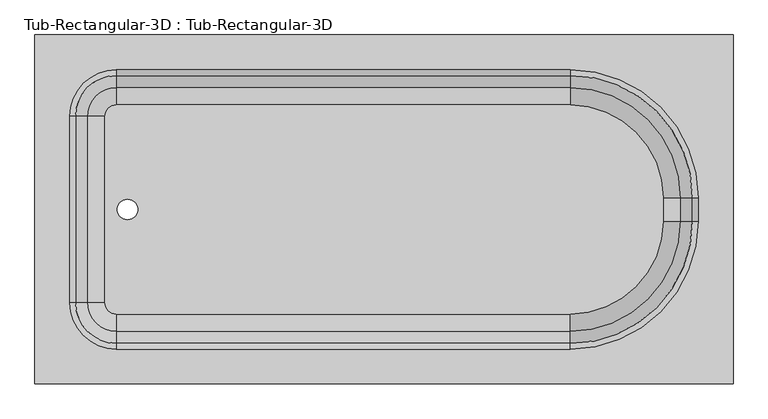
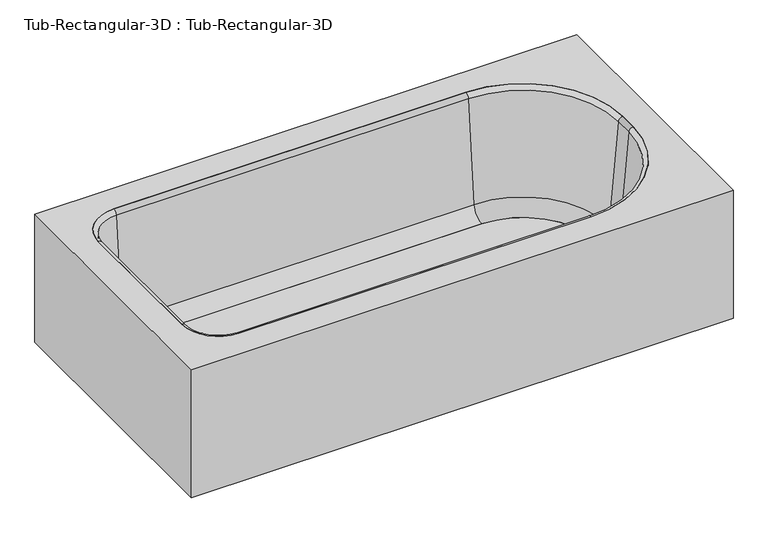
"""IFC4 building model written with IfcOpenShell, lengths in millimetres: flow terminal geometry, Tub-Rectangular-3D : Tub-Rectangular-3D."""

from ifc_helpers import new_model, si_unit, point, frame, frame_2d, origin, place, context, project, spatial, polyline, circle_curve, ellipse_curve, trimmed, segment, composite_curve, outline, extrude, source, transform, mapped, element, save
from ifc_brep_helpers import plane_surface, cylinder_surface, revolved_surface, advanced_brep


def tub_rectangular_3d_tub_rectangular_3d_7cde22e7(model_context):
    return source(origin(), model_context, "Body", "SolidModel", [
        advanced_brep(
        [(413.3970313, -823.9125, 381.0), (413.3970313, -61.9125, 381.0), (-1110.6029687, -61.9125, 381.0), (-1110.6029687, -823.9125, 381.0), (-932.8029687, -747.7125, 381.0), (-1034.4029687, -646.1125, 381.0), (-1034.4029687, -239.7125, 381.0), (-932.8029687, -138.1125, 381.0), (57.7970313, -138.1125, 381.0), (337.1970313, -417.5125, 381.0), (337.1970313, -468.3125, 381.0), (57.7970313, -747.7125, 381.0), (394.3470313, -804.8625, 361.95), (-1091.5529687, -804.8625, 361.95), (-1091.5529687, -80.9625, 361.95), (394.3470313, -80.9625, 361.95), (-932.8029687, -747.7125, 361.95), (57.7970313, -747.7125, 361.95), (337.1970313, -468.3125, 361.95), (337.1970313, -417.5125, 361.95), (57.7970313, -138.1125, 361.95), (-932.8029687, -138.1125, 361.95), (-1034.4029687, -239.7125, 361.95), (-1034.4029687, -646.1125, 361.95), (-1110.6029687, -823.9125, 0.0), (413.3970313, -823.9125, 0.0), (-1110.6029687, -61.9125, 0.0), (413.3970313, -61.9125, 0.0), (394.3470313, -804.8625, 0.0), (394.3470313, -80.9625, 0.0), (-1091.5529687, -80.9625, 0.0), (-1091.5529687, -804.8625, 0.0)],
        [
            (0, 1),
            (1, 2),
            (2, 3),
            (3, 0),
            (4, 5, circle_curve(frame((-932.8029687, -646.1125, 381.0), z_axis=(0.0, 0.0, -1.0), x_axis=(0.0, -1.0, 0.0)), 101.6)),
            (5, 6),
            (6, 7, circle_curve(frame((-932.8029687, -239.7125, 381.0), z_axis=(0.0, 0.0, -1.0), x_axis=(0.0, -1.0, 0.0)), 101.6)),
            (7, 8),
            (8, 9, circle_curve(frame((57.7970313, -417.5125, 381.0), z_axis=(0.0, 0.0, -1.0), x_axis=(0.0, -1.0, 0.0)), 279.4)),
            (9, 10),
            (10, 11, circle_curve(frame((57.7970313, -468.3125, 381.0), z_axis=(0.0, 0.0, -1.0), x_axis=(0.0, -1.0, 0.0)), 279.4)),
            (11, 4),
            (12, 13),
            (13, 14),
            (14, 15),
            (15, 12),
            (16, 17),
            (17, 18, circle_curve(frame((57.7970313, -468.3125, 361.95), z_axis=(0.0, 0.0, 1.0), x_axis=(0.0, -1.0, 0.0)), 279.4)),
            (18, 19),
            (19, 20, circle_curve(frame((57.7970313, -417.5125, 361.95), z_axis=(0.0, 0.0, 1.0), x_axis=(0.0, -1.0, 0.0)), 279.4)),
            (20, 21),
            (21, 22, circle_curve(frame((-932.8029687, -239.7125, 361.95), z_axis=(0.0, 0.0, 1.0), x_axis=(0.0, -1.0, 0.0)), 101.6)),
            (22, 23),
            (23, 16, circle_curve(frame((-932.8029687, -646.1125, 361.95), z_axis=(0.0, 0.0, 1.0), x_axis=(0.0, -1.0, 0.0)), 101.6)),
            (3, 24),
            (24, 25),
            (25, 0),
            (2, 26),
            (26, 24),
            (1, 27),
            (27, 26),
            (25, 27),
            (11, 17),
            (16, 4),
            (10, 18),
            (9, 19),
            (8, 20),
            (7, 21),
            (6, 22),
            (5, 23),
            (28, 29),
            (29, 30),
            (30, 31),
            (31, 28),
            (28, 12),
            (15, 29),
            (14, 30),
            (13, 31),
        ],
        [
            plane_surface(frame((-1110.6029687, -823.9125, 381.0), z_axis=(0.0, 0.0, 1.0), x_axis=(-1.0, 0.0, 0.0))),
            plane_surface(frame((-1110.6029687, -823.9125, 361.95), z_axis=(0.0, 0.0, -1.0), x_axis=(1.0, 0.0, 0.0))),
            plane_surface(frame((413.3970313, -823.9125, 381.0), z_axis=(0.0, -1.0, 0.0), x_axis=(0.0, 0.0, -1.0))),
            plane_surface(frame((-1110.6029687, -823.9125, 381.0), z_axis=(-1.0, 0.0, 0.0), x_axis=(0.0, 0.0, -1.0))),
            plane_surface(frame((-1110.6029687, -61.9125, 381.0), z_axis=(0.0, 1.0, 0.0), x_axis=(0.0, 0.0, -1.0))),
            plane_surface(frame((413.3970313, -61.9125, 381.0), z_axis=(1.0, 0.0, 0.0), x_axis=(0.0, 0.0, -1.0))),
            plane_surface(frame((-932.8029687, -747.7125, 381.0), z_axis=(0.0, 1.0, 0.0), x_axis=(0.0, 0.0, -1.0))),
            revolved_surface(polyline([(57.7970313, -747.7125, 361.95), (57.7970313, -747.7125, 381.0)]), (57.7970313, -468.3125, 381.0), (0.0, 0.0, -1.0)),
            plane_surface(frame((337.1970313, -468.3125, 381.0), z_axis=(-1.0, 0.0, 0.0), x_axis=(0.0, 0.0, -1.0))),
            revolved_surface(polyline([(57.7970313, -696.9124999999999, 361.95), (57.7970313, -696.9124999999999, 381.0)]), (57.7970313, -417.5125, 381.0), (0.0, 0.0, -1.0)),
            plane_surface(frame((57.7970313, -138.1125, 381.0), z_axis=(0.0, -1.0, 0.0), x_axis=(0.0, 0.0, -1.0))),
            revolved_surface(polyline([(-932.8029687, -341.3125, 361.95), (-932.8029687, -341.3125, 381.0)]), (-932.8029687, -239.7125, 381.0), (0.0, 0.0, -1.0)),
            plane_surface(frame((-1034.4029687, -239.7125, 381.0), z_axis=(1.0, 0.0, 0.0), x_axis=(0.0, 0.0, -1.0))),
            revolved_surface(polyline([(-932.8029687, -747.7125, 361.95), (-932.8029687, -747.7125, 381.0)]), (-932.8029687, -646.1125, 381.0), (0.0, 0.0, -1.0)),
            plane_surface(frame((-1110.6029687, -823.9125, 0.0), z_axis=(0.0, 0.0, -1.0), x_axis=(1.0, 0.0, 0.0))),
            plane_surface(frame((394.3470313, -804.8625, 361.95), z_axis=(-1.0, 0.0, 0.0), x_axis=(0.0, 0.0, -1.0))),
            plane_surface(frame((394.3470313, -80.9625, 361.95), z_axis=(0.0, -1.0, 0.0), x_axis=(0.0, 0.0, -1.0))),
            plane_surface(frame((-1091.5529687, -80.9625, 361.95), z_axis=(1.0, 0.0, 0.0), x_axis=(0.0, 0.0, -1.0))),
            plane_surface(frame((-1091.5529687, -804.8625, 361.95), z_axis=(0.0, 1.0, 0.0), x_axis=(0.0, 0.0, -1.0))),
        ],
        [
            (0, [[1, 2, 3, 4], [5, 6, 7, 8, 9, 10, 11, 12]]),
            (1, [[13, 14, 15, 16], [17, 18, 19, 20, 21, 22, 23, 24]]),
            (2, [[25, 26, 27, -4]]),
            (3, [[28, 29, -25, -3]]),
            (4, [[30, 31, -28, -2]]),
            (5, [[32, -30, -1, -27]]),
            (6, [[33, -17, 34, -12]]),
            (7, [[35, -18, -33, -11]]),
            (8, [[36, -19, -35, -10]]),
            (9, [[37, -20, -36, -9]]),
            (10, [[38, -21, -37, -8]]),
            (11, [[39, -22, -38, -7]]),
            (12, [[40, -23, -39, -6]]),
            (13, [[-34, -24, -40, -5]]),
            (14, [[-26, -29, -31, -32], [41, 42, 43, 44]]),
            (15, [[45, -16, 46, -41]]),
            (16, [[-46, -15, 47, -42]]),
            (17, [[-47, -14, 48, -43]]),
            (18, [[-48, -13, -45, -44]]),
        ],
    ),
        extrude(outline(composite_curve([segment(polyline([(57.7970313, -671.1089741), (-932.8029687, -671.1089741)]), True, "CONTINUOUS"), segment(trimmed(circle_curve(frame_2d((-932.8029687, -646.1125)), 24.9964741), [point((-932.8029687, -671.1089741))], [point((-957.7994428, -646.1125))], False, "CARTESIAN"), True, "CONTINUOUS"), segment(polyline([(-957.7994428, -646.1125), (-957.7994428, -239.7125)]), True, "CONTINUOUS"), segment(trimmed(circle_curve(frame_2d((-932.8029687, -239.7125)), 24.9964741), [point((-957.7994428, -239.7125))], [point((-932.8029687, -214.7160259))], False, "CARTESIAN"), True, "CONTINUOUS"), segment(polyline([(-932.8029687, -214.7160259), (57.7970313, -214.7160259)]), True, "CONTINUOUS"), segment(trimmed(circle_curve(frame_2d((57.7970313, -417.5125)), 202.7964741), [point((57.7970313, -214.7160259))], [point((260.5935054, -417.5125))], False, "CARTESIAN"), True, "CONTINUOUS"), segment(polyline([(260.5935054, -417.5125), (260.5935054, -468.3125)]), True, "CONTINUOUS"), segment(trimmed(circle_curve(frame_2d((57.7970313, -468.3125)), 202.7964741), [point((260.5935054, -468.3125))], [point((57.7970313, -671.1089741))], False, "CARTESIAN"), True, "CONTINUOUS")], self_intersect=False), holes=[composite_curve([segment(trimmed(circle_curve(frame_2d((-908.510206, -442.9125)), 22.225), [point((-908.510206, -465.1375))], [point((-908.510206, -420.6875))], True, "CARTESIAN"), True, "CONTINUOUS"), segment(trimmed(circle_curve(frame_2d((-908.510206, -442.9125)), 22.225), [point((-908.510206, -420.6875))], [point((-908.510206, -465.1375))], True, "CARTESIAN"), True, "CONTINUOUS")], self_intersect=False)]), frame((0.0, 0.0, 16.863573), z_axis=(0.0, 0.0, 1.0), x_axis=(1.0, 0.0, 0.0)), (0.0, 0.0, 1.0), 19.05),
        advanced_brep(
        [(-995.7544608, -646.1125, 70.6929392), (-1021.9249722, -646.1125, 369.8232535), (-932.8029687, -735.2345035, 369.8232535), (-932.8029687, -709.0639921, 70.6929392), (-957.7994428, -646.1125, 35.913573), (-932.8029687, -671.1089741, 35.913573), (-957.7994428, -646.1125, 16.863573), (-932.8029687, -671.1089741, 16.863573), (-1034.4029687, -646.1125, 16.863573), (-932.8029687, -747.7125, 16.863573), (-1034.4029687, -646.1125, 381.0), (-932.8029687, -747.7125, 381.0), (-995.7544608, -239.7125, 70.6929392), (-1021.9249722, -239.7125, 369.8232535), (-957.7994428, -239.7125, 35.913573), (-957.7994428, -239.7125, 16.863573), (-1034.4029687, -239.7125, 16.863573), (-1034.4029687, -239.7125, 381.0), (-932.8029687, -176.7610079, 70.6929392), (-932.8029687, -150.5904965, 369.8232535), (-932.8029687, -214.7160259, 35.913573), (-932.8029687, -214.7160259, 16.863573), (-932.8029687, -138.1125, 16.863573), (-932.8029687, -138.1125, 381.0), (57.7970313, -176.7610079, 70.6929392), (57.7970313, -150.5904965, 369.8232535), (57.7970313, -214.7160259, 35.913573), (57.7970313, -214.7160259, 16.863573), (57.7970313, -138.1125, 16.863573), (57.7970313, -138.1125, 381.0), (298.5485234, -417.5125, 70.6929392), (324.7190348, -417.5125, 369.8232535), (260.5935054, -417.5125, 35.913573), (260.5935054, -417.5125, 16.863573), (337.1970313, -417.5125, 16.863573), (337.1970313, -417.5125, 381.0), (298.5485234, -468.3125, 70.6929392), (324.7190348, -468.3125, 369.8232535), (260.5935054, -468.3125, 35.913573), (260.5935054, -468.3125, 16.863573), (337.1970313, -468.3125, 16.863573), (337.1970313, -468.3125, 381.0), (57.7970313, -709.0639921, 70.6929392), (57.7970313, -735.2345035, 369.8232535), (57.7970313, -671.1089741, 35.913573), (57.7970313, -671.1089741, 16.863573), (57.7970313, -747.7125, 16.863573), (57.7970313, -747.7125, 381.0)],
        [
            (0, 1),
            (1, 2, circle_curve(frame((-932.8029687, -646.1125, 369.8232535), z_axis=(0.0, 0.0, 1.0), x_axis=(0.0, -1.0, 0.0)), 89.1220035)),
            (2, 3),
            (3, 0, circle_curve(frame((-932.8029687, -646.1125, 70.6929392), z_axis=(0.0, 0.0, -1.0), x_axis=(0.0, -1.0, 0.0)), 62.9514921)),
            (4, 0, circle_curve(frame((-957.7994428, -646.1125, 74.013573), z_axis=(0.0, 1.0, 0.0), x_axis=(1.0, 0.0, 0.0)), 38.1)),
            (3, 5, circle_curve(frame((-932.8029687, -671.1089741, 74.013573), z_axis=(1.0, 0.0, 0.0), x_axis=(0.0, 1.0, 0.0)), 38.1)),
            (5, 4, circle_curve(frame((-932.8029687, -646.1125, 35.913573), z_axis=(0.0, 0.0, -1.0), x_axis=(0.0, -1.0, 0.0)), 24.9964741)),
            (6, 4),
            (5, 7),
            (7, 6, circle_curve(frame((-932.8029687, -646.1125, 16.863573), z_axis=(0.0, 0.0, -1.0), x_axis=(0.0, -1.0, 0.0)), 24.9964741)),
            (8, 6),
            (7, 9),
            (9, 8, circle_curve(frame((-932.8029687, -646.1125, 16.863573), z_axis=(0.0, 0.0, -1.0), x_axis=(0.0, -1.0, 0.0)), 101.6)),
            (10, 8),
            (9, 11),
            (11, 10, circle_curve(frame((-932.8029687, -646.1125, 381.0), z_axis=(0.0, 0.0, -1.0), x_axis=(0.0, -1.0, 0.0)), 101.6)),
            (1, 10, circle_curve(frame((-1034.4029687, -646.1125, 368.4462547), z_axis=(0.0, -1.0, 0.0), x_axis=(1.0, 0.0, 0.0)), 12.5537453)),
            (11, 2, circle_curve(frame((-932.8029687, -747.7125, 368.4462547), z_axis=(-1.0, 0.0, 0.0), x_axis=(0.0, 1.0, 0.0)), 12.5537453)),
            (0, 12),
            (12, 13),
            (13, 1),
            (4, 14),
            (14, 12, circle_curve(frame((-957.7994428, -239.7125, 74.013573), z_axis=(0.0, 1.0, 0.0), x_axis=(1.0, 0.0, 0.0)), 38.1)),
            (6, 15),
            (15, 14),
            (8, 16),
            (16, 15),
            (10, 17),
            (17, 16),
            (13, 17, circle_curve(frame((-1034.4029687, -239.7125, 368.4462547), z_axis=(0.0, -1.0, 0.0), x_axis=(1.0, 0.0, 0.0)), 12.5537453)),
            (18, 19),
            (19, 13, circle_curve(frame((-932.8029687, -239.7125, 369.8232535), z_axis=(0.0, 0.0, 1.0), x_axis=(-1.0, 0.0, 0.0)), 89.1220035)),
            (12, 18, circle_curve(frame((-932.8029687, -239.7125, 70.6929392), z_axis=(0.0, 0.0, -1.0), x_axis=(-1.0, 0.0, 0.0)), 62.9514921)),
            (20, 18, circle_curve(frame((-932.8029687, -214.7160259, 74.013573), z_axis=(1.0, 0.0, 0.0), x_axis=(0.0, -1.0, 0.0)), 38.1)),
            (14, 20, circle_curve(frame((-932.8029687, -239.7125, 35.913573), z_axis=(0.0, 0.0, -1.0), x_axis=(-1.0, 0.0, 0.0)), 24.9964741)),
            (21, 20),
            (15, 21, circle_curve(frame((-932.8029687, -239.7125, 16.863573), z_axis=(0.0, 0.0, -1.0), x_axis=(-1.0, 0.0, 0.0)), 24.9964741)),
            (22, 21),
            (16, 22, circle_curve(frame((-932.8029687, -239.7125, 16.863573), z_axis=(0.0, 0.0, -1.0), x_axis=(-1.0, 0.0, 0.0)), 101.6)),
            (23, 22),
            (17, 23, circle_curve(frame((-932.8029687, -239.7125, 381.0), z_axis=(0.0, 0.0, -1.0), x_axis=(-1.0, 0.0, 0.0)), 101.6)),
            (19, 23, circle_curve(frame((-932.8029687, -138.1125, 368.4462547), z_axis=(-1.0, 0.0, 0.0), x_axis=(0.0, -1.0, 0.0)), 12.5537453)),
            (18, 24),
            (24, 25),
            (25, 19),
            (20, 26),
            (26, 24, circle_curve(frame((57.7970313, -214.7160259, 74.013573), z_axis=(1.0, 0.0, 0.0), x_axis=(0.0, -1.0, 0.0)), 38.1)),
            (21, 27),
            (27, 26),
            (22, 28),
            (28, 27),
            (23, 29),
            (29, 28),
            (25, 29, circle_curve(frame((57.7970313, -138.1125, 368.4462547), z_axis=(-1.0, 0.0, 0.0), x_axis=(0.0, -1.0, 0.0)), 12.5537453)),
            (30, 31),
            (31, 25, circle_curve(frame((57.7970313, -417.5125, 369.8232535), z_axis=(0.0, 0.0, 1.0), x_axis=(0.0, 1.0, 0.0)), 266.9220035)),
            (24, 30, circle_curve(frame((57.7970313, -417.5125, 70.6929392), z_axis=(0.0, 0.0, -1.0), x_axis=(0.0, 1.0, 0.0)), 240.7514921)),
            (32, 30, circle_curve(frame((260.5935054, -417.5125, 74.013573), z_axis=(0.0, -1.0, 0.0), x_axis=(-1.0, 0.0, 0.0)), 38.1)),
            (26, 32, circle_curve(frame((57.7970313, -417.5125, 35.913573), z_axis=(0.0, 0.0, -1.0), x_axis=(0.0, 1.0, 0.0)), 202.7964741)),
            (33, 32),
            (27, 33, circle_curve(frame((57.7970313, -417.5125, 16.863573), z_axis=(0.0, 0.0, -1.0), x_axis=(0.0, 1.0, 0.0)), 202.7964741)),
            (34, 33),
            (28, 34, circle_curve(frame((57.7970313, -417.5125, 16.863573), z_axis=(0.0, 0.0, -1.0), x_axis=(0.0, 1.0, 0.0)), 279.4)),
            (35, 34),
            (29, 35, circle_curve(frame((57.7970313, -417.5125, 381.0), z_axis=(0.0, 0.0, -1.0), x_axis=(0.0, 1.0, 0.0)), 279.4)),
            (31, 35, circle_curve(frame((337.1970313, -417.5125, 368.4462547), z_axis=(0.0, 1.0, 0.0), x_axis=(-1.0, 0.0, 0.0)), 12.5537453)),
            (30, 36),
            (36, 37),
            (37, 31),
            (32, 38),
            (38, 36, circle_curve(frame((260.5935054, -468.3125, 74.013573), z_axis=(0.0, -1.0, 0.0), x_axis=(-1.0, 0.0, 0.0)), 38.1)),
            (33, 39),
            (39, 38),
            (34, 40),
            (40, 39),
            (35, 41),
            (41, 40),
            (37, 41, circle_curve(frame((337.1970313, -468.3125, 368.4462547), z_axis=(0.0, 1.0, 0.0), x_axis=(-1.0, 0.0, 0.0)), 12.5537453)),
            (42, 43),
            (43, 37, circle_curve(frame((57.7970313, -468.3125, 369.8232535), z_axis=(0.0, 0.0, 1.0), x_axis=(1.0, 0.0, 0.0)), 266.9220035)),
            (36, 42, circle_curve(frame((57.7970313, -468.3125, 70.6929392), z_axis=(0.0, 0.0, -1.0), x_axis=(1.0, 0.0, 0.0)), 240.7514921)),
            (44, 42, circle_curve(frame((57.7970313, -671.1089741, 74.013573), z_axis=(-1.0, 0.0, 0.0), x_axis=(0.0, 1.0, 0.0)), 38.1)),
            (38, 44, circle_curve(frame((57.7970313, -468.3125, 35.913573), z_axis=(0.0, 0.0, -1.0), x_axis=(1.0, 0.0, 0.0)), 202.7964741)),
            (45, 44),
            (39, 45, circle_curve(frame((57.7970313, -468.3125, 16.863573), z_axis=(0.0, 0.0, -1.0), x_axis=(1.0, 0.0, 0.0)), 202.7964741)),
            (46, 45),
            (40, 46, circle_curve(frame((57.7970313, -468.3125, 16.863573), z_axis=(0.0, 0.0, -1.0), x_axis=(1.0, 0.0, 0.0)), 279.4)),
            (47, 46),
            (41, 47, circle_curve(frame((57.7970313, -468.3125, 381.0), z_axis=(0.0, 0.0, -1.0), x_axis=(1.0, 0.0, 0.0)), 279.4)),
            (43, 47, circle_curve(frame((57.7970313, -747.7125, 368.4462547), z_axis=(1.0, 0.0, 0.0), x_axis=(0.0, 1.0, 0.0)), 12.5537453)),
            (42, 3),
            (2, 43),
            (44, 5),
            (45, 7),
            (46, 9),
            (47, 11),
        ],
        [
            revolved_surface(polyline([(-932.8029687, -735.2345035, 369.8232535), (-932.8029687, -709.0639921, 70.6929392)]), (-932.8029687, -646.1125, 381.0), (0.0, 0.0, 1.0)),
            revolved_surface(trimmed(ellipse_curve(frame((-932.8029687, -671.1089741, 74.013573), z_axis=(1.0, 0.0, 0.0), x_axis=(0.0, 1.0, 0.0)), 38.1, 38.1), [point((-932.8029687, -709.0639921, 70.6929392))], [point((-932.8029687, -671.1089741, 35.913573))], True, "CARTESIAN"), (-932.8029687, -646.1125, 381.0), (0.0, 0.0, 1.0)),
            revolved_surface(polyline([(-932.8029687, -671.1089741, 35.913572999999985), (-932.8029687, -671.1089741, 16.863572999999974)]), (-932.8029687, -646.1125, 381.0), (0.0, 0.0, 1.0)),
            plane_surface(frame((-932.8029687, -646.1125, 16.863573), z_axis=(0.0, 0.0, -1.0), x_axis=(0.0, -1.0, 0.0))),
            cylinder_surface(frame((-932.8029687, -646.1125, 381.0), z_axis=(0.0, 0.0, 1.0), x_axis=(0.0, -1.0, 0.0)), 101.6),
            revolved_surface(trimmed(ellipse_curve(frame((-932.8029687, -747.7125, 368.4462547), z_axis=(-1.0, 0.0, 0.0), x_axis=(0.0, 1.0, 0.0)), 12.5537453, 12.5537453), [point((-932.8029687, -747.7125, 381.0))], [point((-932.8029687, -735.2345035, 369.8232535))], True, "CARTESIAN"), (-932.8029687, -646.1125, 381.0), (0.0, 0.0, 1.0)),
            plane_surface(frame((-1021.9249722, -646.1125, 369.8232535), z_axis=(0.9961946980917458, 0.0, 0.08715574274765588), x_axis=(0.0, 1.0, 0.0))),
            revolved_surface(polyline([(-919.6994427999999, -239.71249999999998, 74.013573), (-919.6994427999999, -646.1125, 74.013573)]), (-957.7994428, -646.1125, 74.013573), (0.0, 1.0, 0.0)),
            plane_surface(frame((-957.7994428, -646.1125, 35.913573), z_axis=(1.0, 0.0, 0.0), x_axis=(0.0, 1.0, 0.0))),
            plane_surface(frame((-957.7994428, -646.1125, 16.863573), z_axis=(0.0, 0.0, -1.0), x_axis=(0.0, 1.0, 0.0))),
            plane_surface(frame((-1034.4029687, -646.1125, 16.863573), z_axis=(-1.0, 0.0, 0.0), x_axis=(0.0, 1.0, 0.0))),
            cylinder_surface(frame((-1034.4029687, -646.1125, 368.4462547), z_axis=(0.0, -1.0, 0.0), x_axis=(1.0, 0.0, 0.0)), 12.5537453),
            revolved_surface(polyline([(-1021.9249722, -239.7125, 369.8232535), (-995.7544608, -239.7125, 70.6929392)]), (-932.8029687, -239.7125, 381.0), (0.0, 0.0, 1.0)),
            revolved_surface(trimmed(ellipse_curve(frame((-957.7994428, -239.7125, 74.013573), z_axis=(0.0, -1.0, 0.0), x_axis=(1.0, 0.0, 0.0)), 38.1, 38.1), [point((-995.7544608, -239.7125, 70.6929392))], [point((-957.7994428, -239.7125, 35.913573))], True, "CARTESIAN"), (-932.8029687, -239.7125, 381.0), (0.0, 0.0, 1.0)),
            revolved_surface(polyline([(-957.7994428, -239.7125, 35.913572999999985), (-957.7994428, -239.7125, 16.863572999999974)]), (-932.8029687, -239.7125, 381.0), (0.0, 0.0, 1.0)),
            plane_surface(frame((-932.8029687, -239.7125, 16.863573), z_axis=(0.0, 0.0, -1.0), x_axis=(-1.0, 0.0, 0.0))),
            cylinder_surface(frame((-932.8029687, -239.7125, 381.0), z_axis=(0.0, 0.0, 1.0), x_axis=(-1.0, 0.0, 0.0)), 101.6),
            revolved_surface(trimmed(ellipse_curve(frame((-1034.4029687, -239.7125, 368.4462547), z_axis=(0.0, 1.0, 0.0), x_axis=(1.0, 0.0, 0.0)), 12.5537453, 12.5537453), [point((-1034.4029687, -239.7125, 381.0))], [point((-1021.9249722, -239.7125, 369.8232535))], True, "CARTESIAN"), (-932.8029687, -239.7125, 381.0), (0.0, 0.0, 1.0)),
            plane_surface(frame((-932.8029687, -150.5904965, 369.8232535), z_axis=(0.0, -0.9961946980917461, 0.08715574274765264), x_axis=(1.0, 0.0, 0.0))),
            revolved_surface(polyline([(57.79703129999996, -252.8160259, 74.013573), (-932.8029687, -252.8160259, 74.013573)]), (-932.8029687, -214.7160259, 74.013573), (1.0, 0.0, 0.0)),
            plane_surface(frame((-932.8029687, -214.7160259, 35.913573), z_axis=(0.0, -1.0, 0.0), x_axis=(1.0, 0.0, 0.0))),
            plane_surface(frame((-932.8029687, -214.7160259, 16.863573), z_axis=(0.0, 0.0, -1.0), x_axis=(1.0, 0.0, 0.0))),
            plane_surface(frame((-932.8029687, -138.1125, 16.863573), z_axis=(0.0, 1.0, 0.0), x_axis=(1.0, 0.0, 0.0))),
            cylinder_surface(frame((-932.8029687, -138.1125, 368.4462547), z_axis=(-1.0, 0.0, 0.0), x_axis=(0.0, -1.0, 0.0)), 12.5537453),
            revolved_surface(polyline([(57.7970313, -150.5904965, 369.8232535), (57.7970313, -176.7610079, 70.6929392)]), (57.7970313, -417.5125, 381.0), (0.0, 0.0, 1.0)),
            revolved_surface(trimmed(ellipse_curve(frame((57.7970313, -214.7160259, 74.013573), z_axis=(-1.0, 0.0, 0.0), x_axis=(0.0, -1.0, 0.0)), 38.1, 38.1), [point((57.7970313, -176.7610079, 70.6929392))], [point((57.7970313, -214.7160259, 35.913573))], True, "CARTESIAN"), (57.7970313, -417.5125, 381.0), (0.0, 0.0, 1.0)),
            revolved_surface(polyline([(57.7970313, -214.71602589999998, 35.913572999999985), (57.7970313, -214.71602589999998, 16.863572999999974)]), (57.7970313, -417.5125, 381.0), (0.0, 0.0, 1.0)),
            plane_surface(frame((57.7970313, -417.5125, 16.863573), z_axis=(0.0, 0.0, -1.0), x_axis=(0.0, 1.0, 0.0))),
            cylinder_surface(frame((57.7970313, -417.5125, 381.0), z_axis=(0.0, 0.0, 1.0), x_axis=(0.0, 1.0, 0.0)), 279.4),
            revolved_surface(trimmed(ellipse_curve(frame((57.7970313, -138.1125, 368.4462547), z_axis=(1.0, 0.0, 0.0), x_axis=(0.0, -1.0, 0.0)), 12.5537453, 12.5537453), [point((57.7970313, -138.1125, 381.0))], [point((57.7970313, -150.5904965, 369.8232535))], True, "CARTESIAN"), (57.7970313, -417.5125, 381.0), (0.0, 0.0, 1.0)),
            plane_surface(frame((324.7190348, -417.5125, 369.8232535), z_axis=(-0.9961946980917464, 0.0, 0.08715574274764941), x_axis=(0.0, -1.0, 0.0))),
            revolved_surface(polyline([(222.49350540000003, -468.3125, 74.013573), (222.49350540000003, -417.5125, 74.013573)]), (260.5935054, -417.5125, 74.013573), (0.0, -1.0, 0.0)),
            plane_surface(frame((260.5935054, -417.5125, 35.913573), z_axis=(-1.0, 0.0, 0.0), x_axis=(0.0, -1.0, 0.0))),
            plane_surface(frame((260.5935054, -417.5125, 16.863573), z_axis=(0.0, 0.0, -1.0), x_axis=(0.0, -1.0, 0.0))),
            plane_surface(frame((337.1970313, -417.5125, 16.863573), z_axis=(1.0, 0.0, 0.0), x_axis=(0.0, -1.0, 0.0))),
            cylinder_surface(frame((337.1970313, -417.5125, 368.4462547), z_axis=(0.0, 1.0, 0.0), x_axis=(-1.0, 0.0, 0.0)), 12.5537453),
            revolved_surface(polyline([(324.7190348, -468.3125, 369.8232535), (298.5485234, -468.3125, 70.6929392)]), (57.7970313, -468.3125, 381.0), (0.0, 0.0, 1.0)),
            revolved_surface(trimmed(ellipse_curve(frame((260.5935054, -468.3125, 74.013573), z_axis=(0.0, 1.0, 0.0), x_axis=(-1.0, 0.0, 0.0)), 38.1, 38.1), [point((298.5485234, -468.3125, 70.6929392))], [point((260.5935054, -468.3125, 35.913573))], True, "CARTESIAN"), (57.7970313, -468.3125, 381.0), (0.0, 0.0, 1.0)),
            revolved_surface(polyline([(260.5935054, -468.3125, 35.913572999999985), (260.5935054, -468.3125, 16.863572999999974)]), (57.7970313, -468.3125, 381.0), (0.0, 0.0, 1.0)),
            plane_surface(frame((57.7970313, -468.3125, 16.863573), z_axis=(0.0, 0.0, -1.0), x_axis=(1.0, 0.0, 0.0))),
            cylinder_surface(frame((57.7970313, -468.3125, 381.0), z_axis=(0.0, 0.0, 1.0), x_axis=(1.0, 0.0, 0.0)), 279.4),
            revolved_surface(trimmed(ellipse_curve(frame((337.1970313, -468.3125, 368.4462547), z_axis=(0.0, -1.0, 0.0), x_axis=(-1.0, 0.0, 0.0)), 12.5537453, 12.5537453), [point((337.1970313, -468.3125, 381.0))], [point((324.7190348, -468.3125, 369.8232535))], True, "CARTESIAN"), (57.7970313, -468.3125, 381.0), (0.0, 0.0, 1.0)),
            plane_surface(frame((57.7970313, -735.2345035, 369.8232535), z_axis=(0.0, 0.9961946980917461, 0.08715574274765264), x_axis=(-1.0, 0.0, 0.0))),
            revolved_surface(polyline([(-932.8029687, -633.0089740999999, 74.013573), (57.7970313, -633.0089740999999, 74.013573)]), (57.7970313, -671.1089741, 74.013573), (-1.0, 0.0, 0.0)),
            plane_surface(frame((57.7970313, -671.1089741, 35.913573), z_axis=(0.0, 1.0, 0.0), x_axis=(-1.0, 0.0, 0.0))),
            plane_surface(frame((57.7970313, -671.1089741, 16.863573), z_axis=(0.0, 0.0, -1.0), x_axis=(-1.0, 0.0, 0.0))),
            plane_surface(frame((57.7970313, -747.7125, 16.863573), z_axis=(0.0, -1.0, 0.0), x_axis=(-1.0, 0.0, 0.0))),
            cylinder_surface(frame((57.7970313, -747.7125, 368.4462547), z_axis=(1.0, 0.0, 0.0), x_axis=(0.0, 1.0, 0.0)), 12.5537453),
        ],
        [
            (0, [[1, 2, 3, 4]]),
            (1, [[5, -4, 6, 7]]),
            (2, [[8, -7, 9, 10]]),
            (3, [[11, -10, 12, 13]]),
            (4, [[14, -13, 15, 16]]),
            (5, [[17, -16, 18, -2]]),
            (6, [[19, 20, 21, -1]]),
            (7, [[22, 23, -19, -5]]),
            (8, [[24, 25, -22, -8]]),
            (9, [[26, 27, -24, -11]]),
            (10, [[28, 29, -26, -14]]),
            (11, [[-21, 30, -28, -17]]),
            (12, [[31, 32, -20, 33]]),
            (13, [[34, -33, -23, 35]]),
            (14, [[36, -35, -25, 37]]),
            (15, [[38, -37, -27, 39]]),
            (16, [[40, -39, -29, 41]]),
            (17, [[42, -41, -30, -32]]),
            (18, [[43, 44, 45, -31]]),
            (19, [[46, 47, -43, -34]]),
            (20, [[48, 49, -46, -36]]),
            (21, [[50, 51, -48, -38]]),
            (22, [[52, 53, -50, -40]]),
            (23, [[-45, 54, -52, -42]]),
            (24, [[55, 56, -44, 57]]),
            (25, [[58, -57, -47, 59]]),
            (26, [[60, -59, -49, 61]]),
            (27, [[62, -61, -51, 63]]),
            (28, [[64, -63, -53, 65]]),
            (29, [[66, -65, -54, -56]]),
            (30, [[67, 68, 69, -55]]),
            (31, [[70, 71, -67, -58]]),
            (32, [[72, 73, -70, -60]]),
            (33, [[74, 75, -72, -62]]),
            (34, [[76, 77, -74, -64]]),
            (35, [[-69, 78, -76, -66]]),
            (36, [[79, 80, -68, 81]]),
            (37, [[82, -81, -71, 83]]),
            (38, [[84, -83, -73, 85]]),
            (39, [[86, -85, -75, 87]]),
            (40, [[88, -87, -77, 89]]),
            (41, [[90, -89, -78, -80]]),
            (42, [[91, -3, 92, -79]]),
            (43, [[93, -6, -91, -82]]),
            (44, [[94, -9, -93, -84]]),
            (45, [[95, -12, -94, -86]]),
            (46, [[96, -15, -95, -88]]),
            (47, [[-92, -18, -96, -90]]),
        ],
    ),
    ])


if __name__ == "__main__":
    model = new_model("IFC4")
    model_context = context("Model", 3, world=origin())
    ifc_project = project(units=[si_unit("LENGTHUNIT", "METRE", prefix="MILLI")], contexts=[model_context])
    site = spatial("IfcSite", under=ifc_project)
    building = spatial("IfcBuilding", under=site)
    placement = place(None, origin())
    tub_rectangular_3d_tub_rectangular_3d_shape = tub_rectangular_3d_tub_rectangular_3d_7cde22e7(model_context)
    element("IfcFlowTerminal", 1, ObjectType="Tub-Rectangular-3D : Tub-Rectangular-3D", at=placement, inside=building, context=model_context, shape_type="MappedRepresentation", body=[
        mapped(tub_rectangular_3d_tub_rectangular_3d_shape, transform((0.0, 0.0, 0.0), x_axis=(1.0, 0.0, 0.0), y_axis=(0.0, 1.0, 0.0), z_axis=(0.0, 0.0, 1.0))),
    ])
    save(model, "model.ifc")
